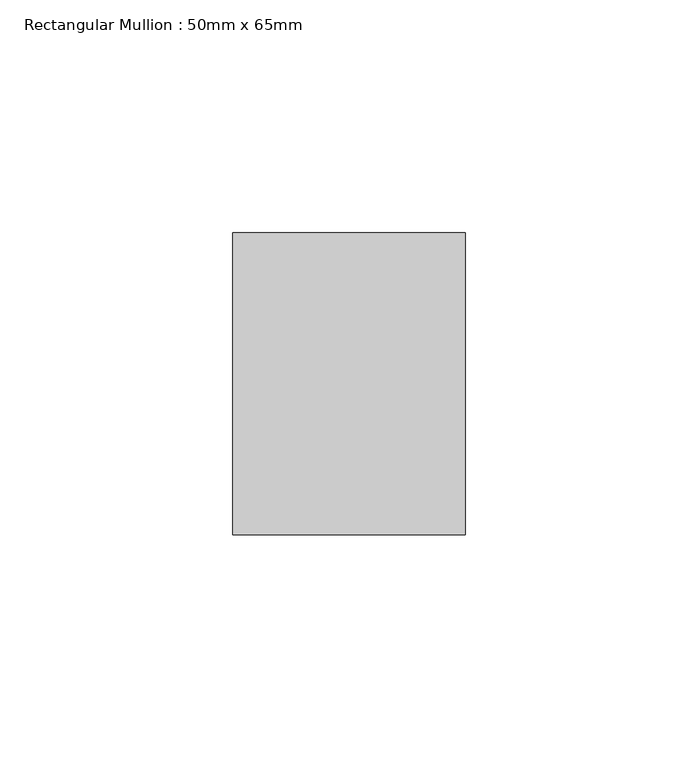
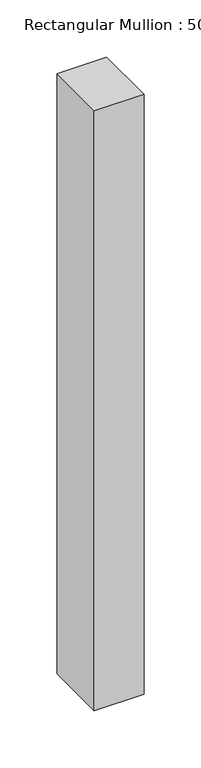
"""IFC4 building model written with IfcOpenShell, lengths in millimetres: member geometry, Rectangular Mullion : 50mm x 65mm."""

from ifc_helpers import new_model, si_unit, frame, origin, place, context, project, spatial, polyline, outline, extrude, source, transform, mapped, element, save


def rectangular_mullion_50mm_x_65mm_ee53fc0d(model_context):
    return source(origin(), model_context, "Body", "SweptSolid", [
        extrude(outline(polyline([(25.0, 32.5), (25.0, -32.5), (-25.0, -32.5), (-25.0, 32.5), (25.0, 32.5)])), frame((0.0, 0.0, -639.7124053), z_axis=(0.0, 0.0, 1.0), x_axis=(1.0, 0.0, 0.0)), (0.0, 0.0, 1.0), 639.7124053),
    ])


if __name__ == "__main__":
    model = new_model("IFC4")
    model_context = context("Model", 3, world=origin())
    ifc_project = project(units=[si_unit("LENGTHUNIT", "METRE", prefix="MILLI")], contexts=[model_context])
    site = spatial("IfcSite", under=ifc_project)
    building = spatial("IfcBuilding", under=site)
    placement = place(None, origin())
    rectangular_mullion_50mm_x_65mm_shape = rectangular_mullion_50mm_x_65mm_ee53fc0d(model_context)
    element("IfcMember", 1, ObjectType="Rectangular Mullion : 50mm x 65mm", at=placement, inside=building, context=model_context, shape_type="MappedRepresentation", body=[
        mapped(rectangular_mullion_50mm_x_65mm_shape, transform((0.0, 0.0, 0.0), x_axis=(1.0, 0.0, 0.0), y_axis=(0.0, 1.0, 0.0), z_axis=(0.0, 0.0, 1.0))),
    ])
    save(model, "model.ifc")
